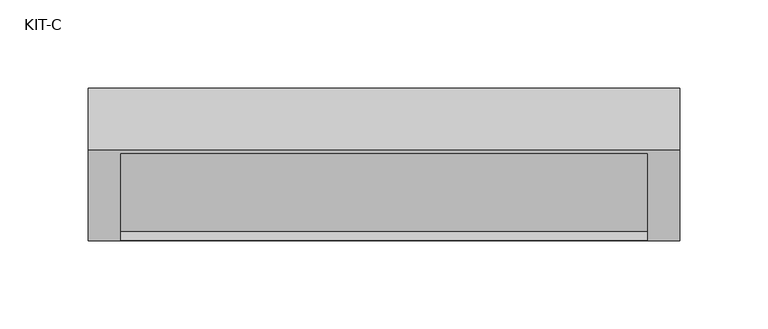
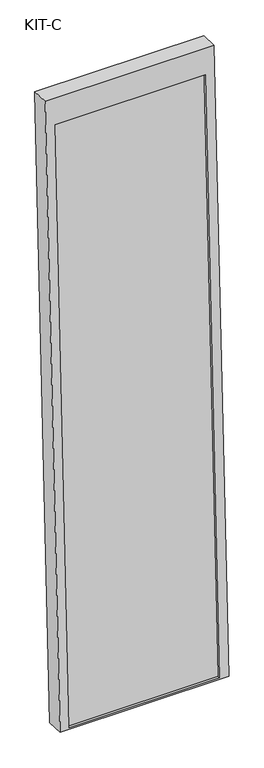
"""IFC4 building model written with IfcOpenShell, lengths in millimetres: plate geometry, KIT-C."""

from ifc_helpers import new_model, si_unit, frame, origin, place, context, project, spatial, polyline, outline, extrude, source, transform, mapped, element, save


def kit_c_e5584d73(model_context):
    return source(origin(), model_context, "Body", "SweptSolid", [
        extrude(outline(polyline([(0.0, -299.0), (0.0, 0.0), (27.4505712, 0.0), (27.4505712, -299.0), (0.0, -299.0)])), frame((-149.5, -68.9260812, -49.4638085), z_axis=(0.0, 0.03973683410233643, 0.9992101801000245), x_axis=(0.0, 0.9992101801000245, -0.03973683410233643)), (0.0, 0.0, 1.0), 1236.5315929),
        extrude(outline(polyline([(0.0, 0.0), (0.0, -336.0), (-1295.0000001, -336.0), (-1295.0000001, 0.0), (0.0, 0.0)]), holes=[polyline([(-55.0, -18.5), (-1291.531593, -18.5), (-1291.531593, -317.5), (-55.0, -317.5), (-55.0, -18.5)])]), frame((-168.0, 12.3716008, 1239.8556021), z_axis=(0.0, -0.9992101801000247, 0.03973683410233422), x_axis=(0.0, 0.03973683410233422, 0.9992101801000247)), (0.0, 0.0, 1.0), 35.0),
    ])


if __name__ == "__main__":
    model = new_model("IFC4")
    model_context = context("Model", 3, world=origin())
    ifc_project = project(units=[si_unit("LENGTHUNIT", "METRE", prefix="MILLI")], contexts=[model_context])
    site = spatial("IfcSite", under=ifc_project)
    building = spatial("IfcBuilding", under=site)
    placement = place(None, origin())
    kit_c_shape = kit_c_e5584d73(model_context)
    element("IfcPlate", 1, ObjectType="KIT-C", at=placement, inside=building, context=model_context, shape_type="MappedRepresentation", body=[
        mapped(kit_c_shape, transform((0.0, 0.0, 0.0), x_axis=(1.0, 0.0, 0.0), y_axis=(0.0, 1.0, 0.0), z_axis=(0.0, 0.0, 1.0))),
    ])
    save(model, "model.ifc")
